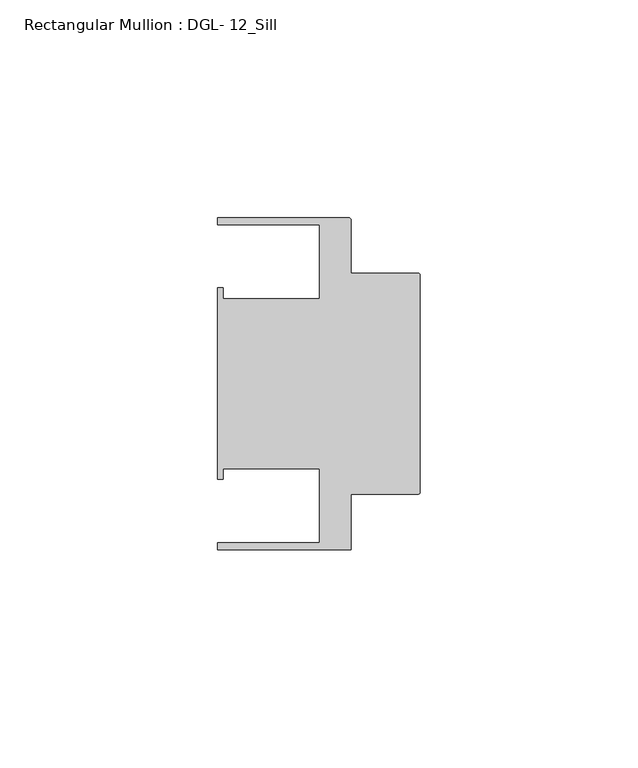
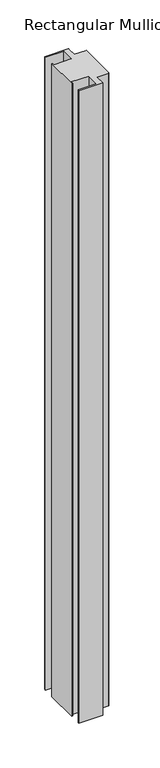
"""IFC4 building model written with IfcOpenShell, lengths in millimetres: member geometry, Rectangular Mullion : DGL- 12_Sill."""

from ifc_helpers import new_model, si_unit, point, frame, frame_2d, origin, place, context, project, spatial, polyline, circle_curve, trimmed, segment, composite_curve, outline, extrude, source, transform, mapped, element, save


def rectangular_mullion_dgl_12_sill_5b9c4532(model_context):
    return source(origin(), model_context, "Body", "SweptSolid", [
        extrude(outline(composite_curve([segment(polyline([(-0.5953125, -25.4), (-15.8750672, -25.4), (-15.8750672, -38.0996792), (-46.54296, -38.0996792), (-46.54296, -36.512516), (-23.1202791, -36.512516), (-23.1202791, -19.4824275), (-45.2865266, -19.4824275), (-45.2865266, -21.9710976), (-46.54296, -21.9710976), (-46.54296, 21.9710976), (-45.2865266, 21.9710976), (-45.2865266, 19.4824275), (-23.1202791, 19.4824275), (-23.1202791, 36.512516), (-46.54296, 36.512516), (-46.54296, 38.100016), (-16.4703797, 38.100016)]), True, "CONTINUOUS"), segment(trimmed(circle_curve(frame_2d((-16.4703797, 37.5047035)), 0.5953125), [point((-16.4703797, 38.100016))], [point((-15.8750672, 37.5047035))], False, "CARTESIAN"), True, "CONTINUOUS"), segment(polyline([(-15.8750672, 37.5047035), (-15.8750672, 25.4), (-0.5953125, 25.4)]), True, "CONTINUOUS"), segment(trimmed(circle_curve(frame_2d((-0.5953125, 24.8046875)), 0.5953125), [point((-0.5953125, 25.4))], [point((0.0, 24.8046875))], False, "CARTESIAN"), True, "CONTINUOUS"), segment(polyline([(0.0, 24.8046875), (0.0, -24.8046875)]), True, "CONTINUOUS"), segment(trimmed(circle_curve(frame_2d((-0.5953125, -24.8046875)), 0.5953125), [point((0.0, -24.8046875))], [point((-0.5953125, -25.4))], False, "CARTESIAN"), True, "CONTINUOUS")], self_intersect=False)), frame((0.0, 0.0, -863.6), z_axis=(0.0, 0.0, 1.0), x_axis=(1.0, 0.0, 0.0)), (0.0, 0.0, 1.0), 863.6),
    ])


if __name__ == "__main__":
    model = new_model("IFC4")
    model_context = context("Model", 3, world=origin())
    ifc_project = project(units=[si_unit("LENGTHUNIT", "METRE", prefix="MILLI")], contexts=[model_context])
    site = spatial("IfcSite", under=ifc_project)
    building = spatial("IfcBuilding", under=site)
    placement = place(None, origin())
    rectangular_mullion_dgl_12_sill_shape = rectangular_mullion_dgl_12_sill_5b9c4532(model_context)
    element("IfcMember", 1, ObjectType="Rectangular Mullion : DGL- 12_Sill", at=placement, inside=building, context=model_context, shape_type="MappedRepresentation", body=[
        mapped(rectangular_mullion_dgl_12_sill_shape, transform((0.0, 0.0, 0.0), x_axis=(1.0, 0.0, 0.0), y_axis=(0.0, 1.0, 0.0), z_axis=(0.0, 0.0, 1.0))),
    ])
    save(model, "model.ifc")
